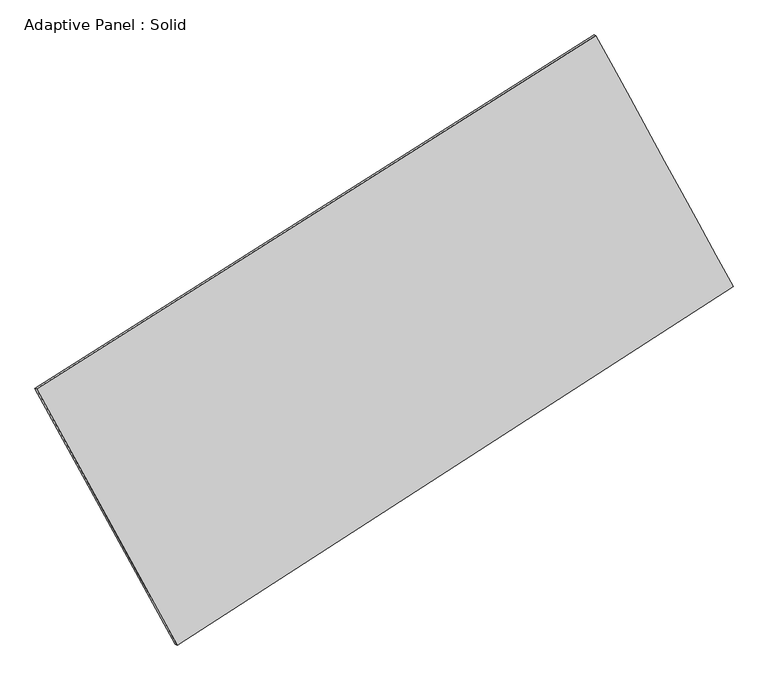
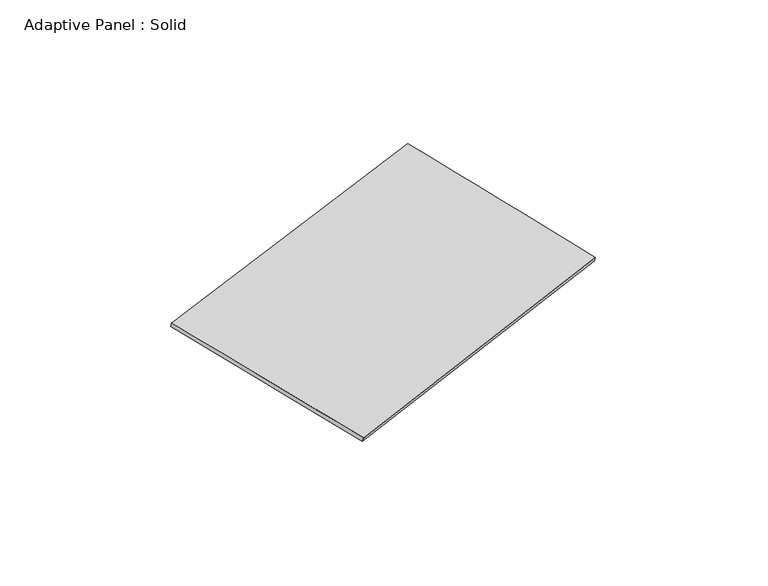
"""IFC4 building model written with IfcOpenShell, lengths in millimetres: plate geometry, Adaptive Panel : Solid."""

from ifc_helpers import new_model, si_unit, frame, origin, place, context, project, spatial, source, transform, mapped, element, save
from ifc_brep_helpers import plane_surface, spline_surface, advanced_brep


def adaptive_panel_solid_04dbe6d7(model_context):
    return source(origin(), model_context, "Body", "AdvancedBrep", [
        advanced_brep(
        [(1185.9725683, 2552.843518, 665.1411191), (-3701.007487, -536.9838046, 1751.6239795), (-3686.3411312, -543.363898, 1798.9968875), (1200.6389241, 2546.4634245, 712.5140271), (-2473.0383865, -2776.0370237, 1080.1626119), (-2458.3720306, -2782.4171171, 1127.5355199), (2384.782727, 359.9287374, -11.8051902), (2399.4490829, 353.5486439, 35.5677178)],
        [
            (0, 1),
            (1, 2),
            (2, 3),
            (3, 0),
            (1, 4),
            (4, 5),
            (5, 2),
            (4, 6),
            (6, 7),
            (7, 5),
            (6, 0),
            (3, 7),
        ],
        [
            plane_surface(frame((-1257.5174593, 1007.9298567, 1208.3825493), z_axis=(-0.47404965632743085, 0.8412179094489587, 0.2600564403320334), x_axis=(-0.8306908772277505, -0.5252101175023557, 0.18468080291073072))),
            plane_surface(frame((-3087.0229367, -1656.5104141, 1415.8932957), z_axis=(-0.8358726491789419, -0.5152158170142702, 0.1893926510002325), x_axis=(0.46505548317426676, -0.8479724581126475, -0.25429531622101026))),
            plane_surface(frame((-44.1278297, -1208.0541431, 534.1787108), z_axis=(0.4812566458687767, -0.8366134869830848, -0.2616675642970274), x_axis=(0.825554966153662, 0.5329368964436919, -0.18557279506434052))),
            plane_surface(frame((1785.3776477, 1456.3861277, 326.6679644), z_axis=(0.835794347298276, 0.5153588150198796, -0.1893491505276821), x_axis=(-0.46299300401869153, 0.8469265916982022, 0.26144373487275396))),
            spline_surface(1, 1, [[(-3686.3411312, -543.363898, 1798.9968875), (1200.6389241, 2546.4634245, 712.5140271)], [(-2458.3720306, -2782.4171171, 1127.5355199), (2399.4490829, 353.5486439, 35.5677178)]], [2, 2], [2, 2], [0.0, 1.0], [0.0, 1.0]),
            spline_surface(1, 1, [[(2384.782727, 359.9287374, -11.8051902), (1185.9725683, 2552.843518, 665.1411191)], [(-2473.0383865, -2776.0370237, 1080.1626119), (-3701.007487, -536.9838046, 1751.6239795)]], [2, 2], [2, 2], [0.0, 1.0], [0.0, 1.0]),
        ],
        [
            (0, [[1, 2, 3, 4]]),
            (1, [[5, 6, 7, -2]]),
            (2, [[8, 9, 10, -6]]),
            (3, [[11, -4, 12, -9]]),
            (4, [[-3, -7, -10, -12]]),
            (5, [[-11, -8, -5, -1]]),
        ],
    ),
    ])


if __name__ == "__main__":
    model = new_model("IFC4")
    model_context = context("Model", 3, world=origin())
    ifc_project = project(units=[si_unit("LENGTHUNIT", "METRE", prefix="MILLI")], contexts=[model_context])
    site = spatial("IfcSite", under=ifc_project)
    building = spatial("IfcBuilding", under=site)
    placement = place(None, origin())
    adaptive_panel_solid_shape = adaptive_panel_solid_04dbe6d7(model_context)
    element("IfcPlate", 1, ObjectType="Adaptive Panel : Solid", at=placement, inside=building, context=model_context, shape_type="MappedRepresentation", body=[
        mapped(adaptive_panel_solid_shape, transform((0.0, 0.0, 0.0), x_axis=(1.0, 0.0, 0.0), y_axis=(0.0, 1.0, 0.0), z_axis=(0.0, 0.0, 1.0))),
    ])
    save(model, "model.ifc")
